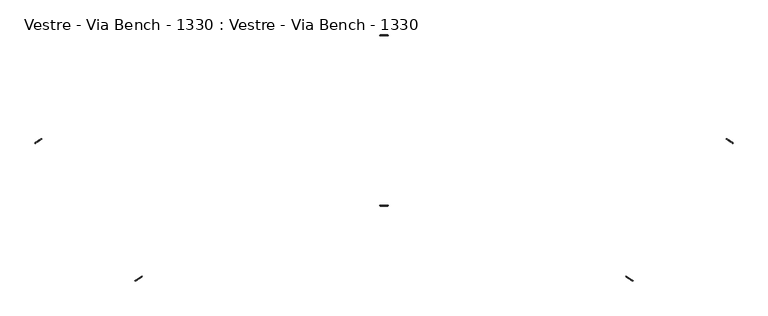
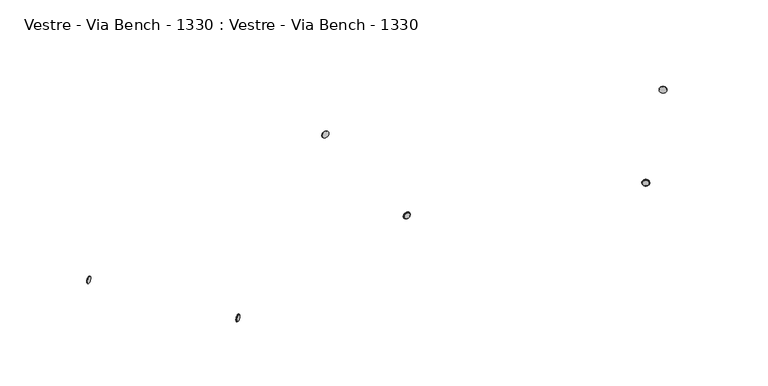
"""IFC4 building model written with IfcOpenShell, lengths in millimetres: furniture geometry, Vestre - Via Bench - 1330 : Vestre - Via Bench - 1330."""

from ifc_helpers import new_model, si_unit, frame, origin, place, context, project, spatial, polyline, circle_curve, source, transform, mapped, element, save
from ifc_brep_helpers import plane_surface, cylinder_surface, revolved_surface, advanced_brep


def vestre_via_bench_1330_vestre_via_bench_1330_cc181b70(model_context):
    return source(origin(), model_context, "Body", "AdvancedBrep", [
        advanced_brep(
        [(-727.9695361, -470.4123054, 414.0553515), (-748.8676969, -483.9837298, 414.0553515), (-749.387707, -483.1829845, 414.0553515), (-728.4895462, -469.6115602, 414.0553515), (-728.4152652, -472.5092961, 414.0553515), (-746.7707062, -484.4294589, 414.0553515)],
        [
            (0, 1, circle_curve(frame((-738.4186165, -477.1980176, 414.0553515), z_axis=(-0.544639035015091, 0.8386705679453826, 0.0), x_axis=(-0.8386705679453826, -0.544639035015091, 0.0)), 12.4590999)),
            (1, 2),
            (2, 3, circle_curve(frame((-738.9386266, -476.3972723, 414.0553515), z_axis=(0.544639035015091, -0.8386705679453826, 0.0), x_axis=(-0.8386705679453826, -0.544639035015091, 0.0)), 12.4590999)),
            (3, 0),
            (0, 4),
            (4, 5, circle_curve(frame((-737.5929857, -478.4693775, 414.0553515), z_axis=(-0.544639035015091, 0.8386705679453826, 0.0), x_axis=(-0.8386705679453826, -0.544639035015091, 0.0)), 10.943177)),
            (5, 1),
            (2, 3, circle_curve(frame((-738.9386266, -476.3972723, 414.0553515), z_axis=(-0.544639035015091, 0.8386705679453826, 0.0), x_axis=(0.8386705679453826, 0.544639035015091, 0.0)), 12.4590999)),
            (1, 0, circle_curve(frame((-738.4186165, -477.1980176, 414.0553515), z_axis=(-0.544639035015091, 0.8386705679453826, 0.0), x_axis=(0.8386705679453826, 0.544639035015091, 0.0)), 12.4590999)),
            (5, 4, circle_curve(frame((-737.5929857, -478.4693775, 414.0553515), z_axis=(-0.544639035015091, 0.8386705679453826, 0.0), x_axis=(0.8386705679453826, 0.544639035015091, 0.0)), 10.943177)),
        ],
        [
            cylinder_surface(frame((-877.6741456, -262.7633074, 414.0553515), z_axis=(0.544639035015091, -0.8386705679453826, 0.0), x_axis=(-0.8386705679453826, -0.544639035015091, 0.0)), 12.4590999),
            revolved_surface(polyline([(-748.8676969, -483.9837298, 414.0553515), (-746.7707062, -484.4294589, 414.0553515)]), (-877.6741456, -262.7633074, 414.0553515), (0.544639035015091, -0.8386705679453826, 0.0)),
            plane_surface(frame((-738.9386266, -476.3972723, 414.0553515), z_axis=(-0.544639035015091, 0.8386705679453826, 0.0), x_axis=(0.8386705679453826, 0.544639035015091, 0.0))),
            cylinder_surface(frame((-877.6741456, -262.7633074, 414.0553515), z_axis=(0.544639035015091, -0.8386705679453826, 0.0), x_axis=(0.8386705679453826, 0.544639035015091, 0.0)), 12.4590999),
            revolved_surface(polyline([(-727.9695361, -470.4123054, 414.0553515), (-728.4152652, -472.5092961, 414.0553515)]), (-877.6741456, -262.7633074, 414.0553515), (0.544639035015091, -0.8386705679453826, 0.0)),
            plane_surface(frame((-737.5929857, -478.4693775, 414.0553515), z_axis=(0.544639035015091, -0.8386705679453826, 0.0), x_axis=(0.8386705679453826, 0.544639035015091, 0.0))),
        ],
        [
            (0, [[1, 2, 3, 4]]),
            (1, [[-1, 5, 6, 7]]),
            (2, [[-3, 8]]),
            (3, [[-2, 9, -4, -8]]),
            (4, [[-7, 10, -5, -9]]),
            (5, [[-6, -10]]),
        ],
    ),
        advanced_brep(
        [(-12.4590999, -256.4481884, 414.0553515), (12.4590999, -256.4481884, 414.0553515), (12.4590999, -257.4029676, 414.0553515), (-12.4590999, -257.4029676, 414.0553515), (10.943177, -258.9188905, 414.0553515), (-10.943177, -258.9188905, 414.0553515)],
        [
            (0, 1, circle_curve(frame((0.0, -256.4481884, 414.0553515), z_axis=(0.0, -1.0, 0.0), x_axis=(1.0, 0.0, 0.0)), 12.4590999)),
            (1, 2),
            (2, 3, circle_curve(frame((0.0, -257.4029676, 414.0553515), z_axis=(0.0, 1.0, 0.0), x_axis=(1.0, 0.0, 0.0)), 12.4590999)),
            (3, 0),
            (2, 4),
            (4, 5, circle_curve(frame((0.0, -258.9188905, 414.0553515), z_axis=(0.0, 1.0, 0.0), x_axis=(1.0, 0.0, 0.0)), 10.943177)),
            (5, 3),
            (0, 1, circle_curve(frame((0.0, -256.4481884, 414.0553515), z_axis=(0.0, 1.0, 0.0), x_axis=(-1.0, 0.0, 0.0)), 12.4590999)),
            (3, 2, circle_curve(frame((0.0, -257.4029676, 414.0553515), z_axis=(0.0, 1.0, 0.0), x_axis=(-1.0, 0.0, 0.0)), 12.4590999)),
            (5, 4, circle_curve(frame((0.0, -258.9188905, 414.0553515), z_axis=(0.0, 1.0, 0.0), x_axis=(-1.0, 0.0, 0.0)), 10.943177)),
        ],
        [
            cylinder_surface(frame((0.0, -1.7188905, 414.0553515), z_axis=(0.0, 1.0, 0.0), x_axis=(1.0, 0.0, 0.0)), 12.4590999),
            revolved_surface(polyline([(10.943177, -258.9188905, 414.0553515), (12.4590999, -257.4029676, 414.0553515)]), (0.0, -1.7188905, 414.0553515), (0.0, 1.0, 0.0)),
            plane_surface(frame((0.0, -256.4481884, 414.0553515), z_axis=(0.0, 1.0, 0.0), x_axis=(-1.0, 0.0, 0.0))),
            cylinder_surface(frame((0.0, -1.7188905, 414.0553515), z_axis=(0.0, 1.0, 0.0), x_axis=(-1.0, 0.0, 0.0)), 12.4590999),
            revolved_surface(polyline([(-10.943177, -258.9188905, 414.0553515), (-12.4590999, -257.4029676, 414.0553515)]), (0.0, -1.7188905, 414.0553515), (0.0, 1.0, 0.0)),
            plane_surface(frame((0.0, -258.9188905, 414.0553515), z_axis=(0.0, -1.0, 0.0), x_axis=(-1.0, 0.0, 0.0))),
        ],
        [
            (0, [[1, 2, 3, 4]]),
            (1, [[-3, 5, 6, 7]]),
            (2, [[-1, 8]]),
            (3, [[-2, -8, -4, 9]]),
            (4, [[-5, -9, -7, 10]]),
            (5, [[-6, -10]]),
        ],
    ),
        advanced_brep(
        [(728.4895462, -469.6115602, 414.0553515), (749.387707, -483.1829845, 414.0553515), (748.8676969, -483.9837298, 414.0553515), (727.9695361, -470.4123054, 414.0553515), (746.7707062, -484.4294589, 414.0553515), (728.4152652, -472.5092961, 414.0553515)],
        [
            (0, 1, circle_curve(frame((738.9386266, -476.3972723, 414.0553515), z_axis=(-0.544639035015091, -0.8386705679453826, 0.0), x_axis=(0.8386705679453826, -0.544639035015091, 0.0)), 12.4590999)),
            (1, 2),
            (2, 3, circle_curve(frame((738.4186165, -477.1980176, 414.0553515), z_axis=(0.544639035015091, 0.8386705679453826, 0.0), x_axis=(0.8386705679453826, -0.544639035015091, 0.0)), 12.4590999)),
            (3, 0),
            (2, 4),
            (4, 5, circle_curve(frame((737.5929857, -478.4693775, 414.0553515), z_axis=(0.544639035015091, 0.8386705679453826, 0.0), x_axis=(0.8386705679453826, -0.544639035015091, 0.0)), 10.943177)),
            (5, 3),
            (0, 1, circle_curve(frame((738.9386266, -476.3972723, 414.0553515), z_axis=(0.544639035015091, 0.8386705679453826, 0.0), x_axis=(-0.8386705679453826, 0.544639035015091, 0.0)), 12.4590999)),
            (3, 2, circle_curve(frame((738.4186165, -477.1980176, 414.0553515), z_axis=(0.544639035015091, 0.8386705679453826, 0.0), x_axis=(-0.8386705679453826, 0.544639035015091, 0.0)), 12.4590999)),
            (5, 4, circle_curve(frame((737.5929857, -478.4693775, 414.0553515), z_axis=(0.544639035015091, 0.8386705679453826, 0.0), x_axis=(-0.8386705679453826, 0.544639035015091, 0.0)), 10.943177)),
        ],
        [
            cylinder_surface(frame((877.6741456, -262.7633074, 414.0553515), z_axis=(0.544639035015091, 0.8386705679453826, 0.0), x_axis=(0.8386705679453826, -0.544639035015091, 0.0)), 12.4590999),
            revolved_surface(polyline([(746.7707062, -484.4294589, 414.0553515), (748.8676969, -483.9837298, 414.0553515)]), (877.6741456, -262.7633074, 414.0553515), (0.544639035015091, 0.8386705679453826, 0.0)),
            plane_surface(frame((738.9386266, -476.3972723, 414.0553515), z_axis=(0.544639035015091, 0.8386705679453826, 0.0), x_axis=(-0.8386705679453826, 0.544639035015091, 0.0))),
            cylinder_surface(frame((877.6741456, -262.7633074, 414.0553515), z_axis=(0.544639035015091, 0.8386705679453826, 0.0), x_axis=(-0.8386705679453826, 0.544639035015091, 0.0)), 12.4590999),
            revolved_surface(polyline([(728.4152652, -472.5092961, 414.0553515), (727.9695361, -470.4123054, 414.0553515)]), (877.6741456, -262.7633074, 414.0553515), (0.544639035015091, 0.8386705679453826, 0.0)),
            plane_surface(frame((737.5929857, -478.4693775, 414.0553515), z_axis=(-0.544639035015091, -0.8386705679453826, 0.0), x_axis=(-0.8386705679453826, 0.544639035015091, 0.0))),
        ],
        [
            (0, [[1, 2, 3, 4]]),
            (1, [[-3, 5, 6, 7]]),
            (2, [[-1, 8]]),
            (3, [[-2, -8, -4, 9]]),
            (4, [[-5, -9, -7, 10]]),
            (5, [[-6, -10]]),
        ],
    ),
        advanced_brep(
        [(1029.3517649, -56.3296352, 414.0553515), (1050.1283702, -70.0864282, 414.0553515), (1049.6012575, -70.8825158, 414.0553515), (1028.8246522, -57.1257228, 414.0553515), (1031.4526377, -55.9025781, 414.0553515), (1049.7013131, -67.9855553, 414.0553515)],
        [
            (0, 1, circle_curve(frame((1039.7400676, -63.2080317, 414.0553515), z_axis=(-0.5520781232859945, -0.8337923877015275, 0.0), x_axis=(0.8337923877015275, -0.5520781232859945, 0.0)), 12.4590999)),
            (1, 2),
            (2, 3, circle_curve(frame((1039.2129548, -64.0041193, 414.0553515), z_axis=(0.5520781232859945, 0.8337923877015275, 0.0), x_axis=(0.8337923877015275, -0.5520781232859945, 0.0)), 12.4590999)),
            (3, 0),
            (0, 4),
            (4, 5, circle_curve(frame((1040.5769754, -61.9440667, 414.0553515), z_axis=(-0.5520781232859945, -0.8337923877015275, 0.0), x_axis=(0.8337923877015275, -0.5520781232859945, 0.0)), 10.943177)),
            (5, 1),
            (2, 3, circle_curve(frame((1039.2129548, -64.0041193, 414.0553515), z_axis=(-0.5520781232859945, -0.8337923877015275, 0.0), x_axis=(-0.8337923877015275, 0.5520781232859945, 0.0)), 12.4590999)),
            (1, 0, circle_curve(frame((1039.7400676, -63.2080317, 414.0553515), z_axis=(-0.5520781232859945, -0.8337923877015275, 0.0), x_axis=(-0.8337923877015275, 0.5520781232859945, 0.0)), 12.4590999)),
            (5, 4, circle_curve(frame((1040.5769754, -61.9440667, 414.0553515), z_axis=(-0.5520781232859945, -0.8337923877015275, 0.0), x_axis=(-0.8337923877015275, 0.5520781232859945, 0.0)), 10.943177)),
        ],
        [
            cylinder_surface(frame((898.5824821, -276.3954688, 414.0553515), z_axis=(0.5520781232859945, 0.8337923877015275, 0.0), x_axis=(0.8337923877015275, -0.5520781232859945, 0.0)), 12.4590999),
            revolved_surface(polyline([(1050.1283702, -70.0864282, 414.0553515), (1049.7013131, -67.9855553, 414.0553515)]), (898.5824821, -276.3954688, 414.0553515), (0.5520781232859945, 0.8337923877015275, 0.0)),
            plane_surface(frame((1039.2129548, -64.0041193, 414.0553515), z_axis=(-0.5520781232859945, -0.8337923877015275, 0.0), x_axis=(-0.8337923877015275, 0.5520781232859945, 0.0))),
            cylinder_surface(frame((898.5824821, -276.3954688, 414.0553515), z_axis=(0.5520781232859945, 0.8337923877015275, 0.0), x_axis=(-0.8337923877015275, 0.5520781232859945, 0.0)), 12.4590999),
            revolved_surface(polyline([(1029.3517649, -56.3296352, 414.0553515), (1031.4526377, -55.9025781, 414.0553515)]), (898.5824821, -276.3954688, 414.0553515), (0.5520781232859945, 0.8337923877015275, 0.0)),
            plane_surface(frame((1040.5769754, -61.9440667, 414.0553515), z_axis=(0.5520781232859945, 0.8337923877015275, 0.0), x_axis=(-0.8337923877015275, 0.5520781232859945, 0.0))),
        ],
        [
            (0, [[1, 2, 3, 4]]),
            (1, [[-1, 5, 6, 7]]),
            (2, [[-3, 8]]),
            (3, [[-2, 9, -4, -8]]),
            (4, [[-7, 10, -5, -9]]),
            (5, [[-6, -10]]),
        ],
    ),
        advanced_brep(
        [(-12.4058083, 254.5116614, 414.0553515), (12.5123916, 254.5116614, 414.0553515), (12.5123916, 253.5568821, 414.0553515), (-12.4058083, 253.5568821, 414.0553515), (-10.8898854, 256.0275843, 414.0553515), (10.9964687, 256.0275843, 414.0553515)],
        [
            (0, 1, circle_curve(frame((0.0532916, 254.5116614, 414.0553515), z_axis=(0.0, -1.0, 0.0), x_axis=(1.0, 0.0, 0.0)), 12.4590999)),
            (1, 2),
            (2, 3, circle_curve(frame((0.0532916, 253.5568821, 414.0553515), z_axis=(0.0, 1.0, 0.0), x_axis=(1.0, 0.0, 0.0)), 12.4590999)),
            (3, 0),
            (0, 4),
            (4, 5, circle_curve(frame((0.0532916, 256.0275843, 414.0553515), z_axis=(0.0, -1.0, 0.0), x_axis=(1.0, 0.0, 0.0)), 10.943177)),
            (5, 1),
            (2, 3, circle_curve(frame((0.0532916, 253.5568821, 414.0553515), z_axis=(0.0, -1.0, 0.0), x_axis=(-1.0, 0.0, 0.0)), 12.4590999)),
            (1, 0, circle_curve(frame((0.0532916, 254.5116614, 414.0553515), z_axis=(0.0, -1.0, 0.0), x_axis=(-1.0, 0.0, 0.0)), 12.4590999)),
            (5, 4, circle_curve(frame((0.0532916, 256.0275843, 414.0553515), z_axis=(0.0, -1.0, 0.0), x_axis=(-1.0, 0.0, 0.0)), 10.943177)),
        ],
        [
            cylinder_surface(frame((0.0532916, -1.1724157, 414.0553515), z_axis=(0.0, 1.0, 0.0), x_axis=(1.0, 0.0, 0.0)), 12.4590999),
            revolved_surface(polyline([(12.5123916, 254.5116614, 414.0553515), (10.9964687, 256.0275843, 414.0553515)]), (0.0532916, -1.1724157, 414.0553515), (0.0, 1.0, 0.0)),
            plane_surface(frame((0.0532916, 253.5568821, 414.0553515), z_axis=(0.0, -1.0, 0.0), x_axis=(-1.0, 0.0, 0.0))),
            cylinder_surface(frame((0.0532916, -1.1724157, 414.0553515), z_axis=(0.0, 1.0, 0.0), x_axis=(-1.0, 0.0, 0.0)), 12.4590999),
            revolved_surface(polyline([(-12.4058083, 254.5116614, 414.0553515), (-10.8898854, 256.0275843, 414.0553515)]), (0.0532916, -1.1724157, 414.0553515), (0.0, 1.0, 0.0)),
            plane_surface(frame((0.0532916, 256.0275843, 414.0553515), z_axis=(0.0, 1.0, 0.0), x_axis=(-1.0, 0.0, 0.0))),
        ],
        [
            (0, [[1, 2, 3, 4]]),
            (1, [[-1, 5, 6, 7]]),
            (2, [[-3, 8]]),
            (3, [[-2, 9, -4, -8]]),
            (4, [[-7, 10, -5, -9]]),
            (5, [[-6, -10]]),
        ],
    ),
        advanced_brep(
        [(-1028.8246522, -57.1257228, 414.0553515), (-1049.6012575, -70.8825158, 414.0553515), (-1050.1283702, -70.0864282, 414.0553515), (-1029.3517649, -56.3296352, 414.0553515), (-1049.7013131, -67.9855553, 414.0553515), (-1031.4526377, -55.9025781, 414.0553515)],
        [
            (0, 1, circle_curve(frame((-1039.2129548, -64.0041193, 414.0553515), z_axis=(-0.5520781232859945, 0.8337923877015276, 0.0), x_axis=(-0.8337923877015274, -0.5520781232859944, 0.0)), 12.4590999)),
            (1, 2),
            (2, 3, circle_curve(frame((-1039.7400676, -63.2080317, 414.0553515), z_axis=(0.5520781232859945, -0.8337923877015276, 0.0), x_axis=(-0.8337923877015274, -0.5520781232859944, 0.0)), 12.4590999)),
            (3, 0),
            (2, 4),
            (4, 5, circle_curve(frame((-1040.5769754, -61.9440667, 414.0553515), z_axis=(0.5520781232859945, -0.8337923877015276, 0.0), x_axis=(-0.8337923877015274, -0.5520781232859944, 0.0)), 10.943177)),
            (5, 3),
            (0, 1, circle_curve(frame((-1039.2129548, -64.0041193, 414.0553515), z_axis=(0.5520781232859945, -0.8337923877015276, 0.0), x_axis=(0.8337923877015274, 0.5520781232859944, 0.0)), 12.4590999)),
            (3, 2, circle_curve(frame((-1039.7400676, -63.2080317, 414.0553515), z_axis=(0.5520781232859945, -0.8337923877015276, 0.0), x_axis=(0.8337923877015274, 0.5520781232859944, 0.0)), 12.4590999)),
            (5, 4, circle_curve(frame((-1040.5769754, -61.9440667, 414.0553515), z_axis=(0.5520781232859945, -0.8337923877015276, 0.0), x_axis=(0.8337923877015274, 0.5520781232859944, 0.0)), 10.943177)),
        ],
        [
            cylinder_surface(frame((-898.5824821, -276.3954688, 414.0553515), z_axis=(0.5520781232859944, -0.8337923877015274, 0.0), x_axis=(-0.8337923877015274, -0.5520781232859944, 0.0)), 12.4590999),
            revolved_surface(polyline([(-1049.7013131, -67.9855553, 414.0553515), (-1050.1283702, -70.0864282, 414.0553515)]), (-898.5824821, -276.3954688, 414.0553515), (0.5520781232859944, -0.8337923877015274, 0.0)),
            plane_surface(frame((-1039.2129548, -64.0041193, 414.0553515), z_axis=(0.5520781232859945, -0.8337923877015275, 0.0), x_axis=(0.8337923877015275, 0.5520781232859945, 0.0))),
            cylinder_surface(frame((-898.5824821, -276.3954688, 414.0553515), z_axis=(0.5520781232859944, -0.8337923877015274, 0.0), x_axis=(0.8337923877015274, 0.5520781232859944, 0.0)), 12.4590999),
            revolved_surface(polyline([(-1031.4526377, -55.9025781, 414.0553515), (-1029.3517649, -56.3296352, 414.0553515)]), (-898.5824821, -276.3954688, 414.0553515), (0.5520781232859944, -0.8337923877015274, 0.0)),
            plane_surface(frame((-1040.5769754, -61.9440667, 414.0553515), z_axis=(-0.5520781232859945, 0.8337923877015275, 0.0), x_axis=(0.8337923877015275, 0.5520781232859945, 0.0))),
        ],
        [
            (0, [[1, 2, 3, 4]]),
            (1, [[-3, 5, 6, 7]]),
            (2, [[-1, 8]]),
            (3, [[-2, -8, -4, 9]]),
            (4, [[-5, -9, -7, 10]]),
            (5, [[-6, -10]]),
        ],
    ),
    ])


if __name__ == "__main__":
    model = new_model("IFC4")
    model_context = context("Model", 3, world=origin())
    ifc_project = project(units=[si_unit("LENGTHUNIT", "METRE", prefix="MILLI")], contexts=[model_context])
    site = spatial("IfcSite", under=ifc_project)
    building = spatial("IfcBuilding", under=site)
    placement = place(None, origin())
    vestre_via_bench_1330_vestre_via_bench_1330_shape = vestre_via_bench_1330_vestre_via_bench_1330_cc181b70(model_context)
    element("IfcFurniture", 1, ObjectType="Vestre - Via Bench - 1330 : Vestre - Via Bench - 1330", at=placement, inside=building, context=model_context, shape_type="MappedRepresentation", body=[
        mapped(vestre_via_bench_1330_vestre_via_bench_1330_shape, transform((0.0, 0.0, 0.0), x_axis=(1.0, 0.0, 0.0), y_axis=(0.0, 1.0, 0.0), z_axis=(0.0, 0.0, 1.0))),
    ])
    save(model, "model.ifc")
